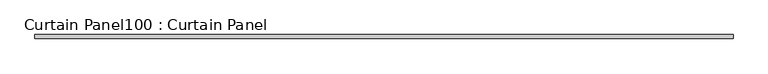
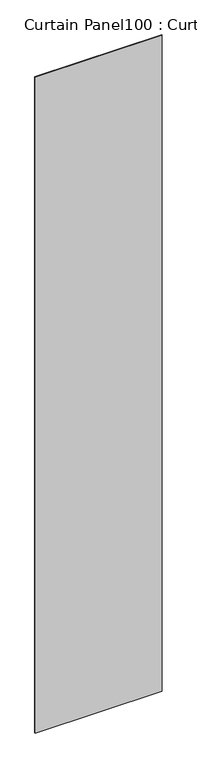
"""IFC4 building model written with IfcOpenShell, lengths in millimetres: plate geometry, Curtain Panel100 : Curtain Panel."""

from ifc_helpers import new_model, si_unit, frame, origin, place, context, project, spatial, polyline, outline, extrude, source, transform, mapped, element, save


def curtain_panel100_curtain_panel_f24cf672(model_context):
    return source(origin(), model_context, "Body", "SweptSolid", [
        extrude(outline(polyline([(224945.1437893, 2363.6484836), (223811.7386393, 2363.6484836), (223811.7386393, 2369.9984836), (224945.1437893, 2369.9984836), (224945.1437893, 2363.6484836)])), frame((0.0, 0.0, 4914.2249337), z_axis=(0.0, 0.0, 1.0), x_axis=(1.0, 0.0, 0.0)), (0.0, 0.0, 1.0), 6181.5245183),
    ])


if __name__ == "__main__":
    model = new_model("IFC4")
    model_context = context("Model", 3, world=origin())
    ifc_project = project(units=[si_unit("LENGTHUNIT", "METRE", prefix="MILLI")], contexts=[model_context])
    site = spatial("IfcSite", under=ifc_project)
    building = spatial("IfcBuilding", under=site)
    placement = place(None, origin())
    curtain_panel100_curtain_panel_shape = curtain_panel100_curtain_panel_f24cf672(model_context)
    element("IfcPlate", 1, ObjectType="Curtain Panel100 : Curtain Panel", at=placement, inside=building, context=model_context, shape_type="MappedRepresentation", body=[
        mapped(curtain_panel100_curtain_panel_shape, transform((0.0, 0.0, 0.0), x_axis=(1.0, 0.0, 0.0), y_axis=(0.0, 1.0, 0.0), z_axis=(0.0, 0.0, 1.0))),
    ])
    save(model, "model.ifc")
